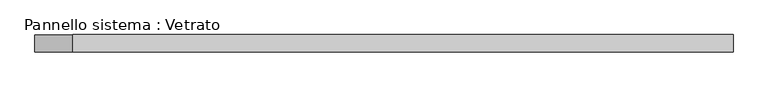
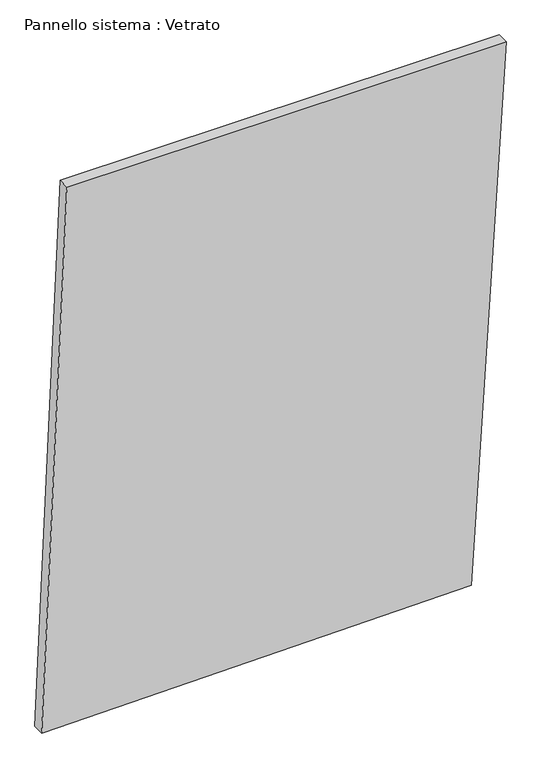
"""IFC4 building model written with IfcOpenShell, lengths in millimetres: plate geometry, Pannello sistema : Vetrato."""

from ifc_helpers import new_model, si_unit, frame, origin, place, context, project, spatial, polyline, outline, extrude, source, transform, mapped, element, save


def pannello_sistema_vetrato_98961770(model_context):
    return source(origin(), model_context, "Body", "SweptSolid", [
        extrude(outline(polyline([(0.0, -601.3910217), (14.6527473, 511.6951706), (1472.1359997, 601.3910217), (1472.1359997, -536.0967159), (0.0, -601.3910217)])), frame((0.0, -15.0, 0.0), z_axis=(0.0, 1.0, 0.0), x_axis=(0.0, 0.0, 1.0)), (0.0, 0.0, 1.0), 30.0),
    ])


if __name__ == "__main__":
    model = new_model("IFC4")
    model_context = context("Model", 3, world=origin())
    ifc_project = project(units=[si_unit("LENGTHUNIT", "METRE", prefix="MILLI")], contexts=[model_context])
    site = spatial("IfcSite", under=ifc_project)
    building = spatial("IfcBuilding", under=site)
    placement = place(None, origin())
    pannello_sistema_vetrato_shape = pannello_sistema_vetrato_98961770(model_context)
    element("IfcPlate", 1, ObjectType="Pannello sistema : Vetrato", at=placement, inside=building, context=model_context, shape_type="MappedRepresentation", body=[
        mapped(pannello_sistema_vetrato_shape, transform((0.0, 0.0, 0.0), x_axis=(1.0, 0.0, 0.0), y_axis=(0.0, 1.0, 0.0), z_axis=(0.0, 0.0, 1.0))),
    ])
    save(model, "model.ifc")
